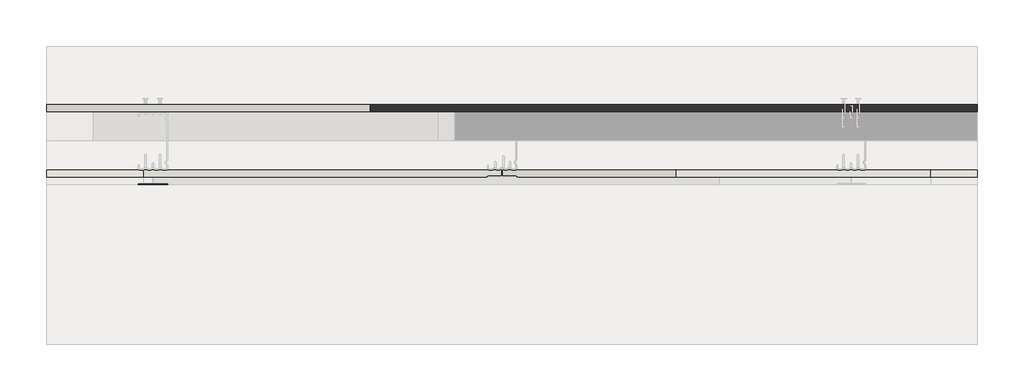
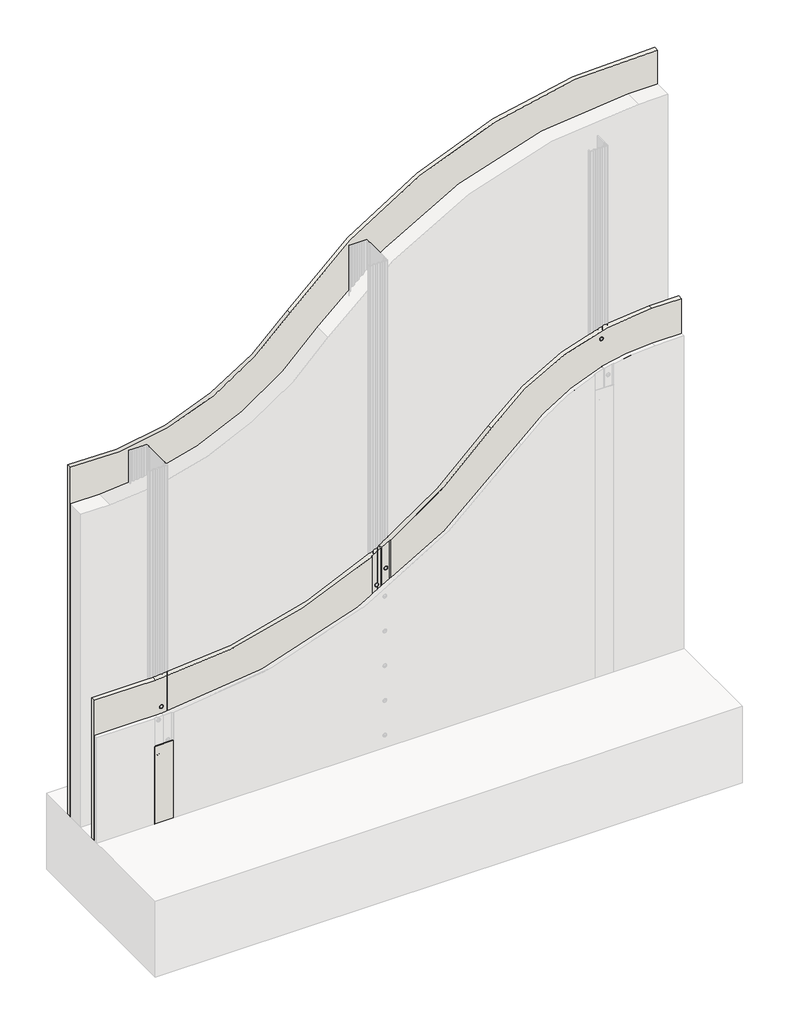
# One storey, part 1 of 3: 3 walls.
"""IFC4 building model written with IfcOpenShell, lengths in millimetres."""

import ifcopenshell
import ifcopenshell.guid

model = None  # the IFC model being written
_history = None  # IfcOwnerHistory: only IFC2X3 demands one
_inside = {}  # id of a spatial element -> (the spatial element, [elements in it])
_under = {}  # id of a project, library or spatial element -> (it, [spatial elements below it])
_declared = {}  # id of a project -> (the project, [libraries it declares])
_typed = {}  # id of a type object -> (the type object, [elements of that type])
_made_of = {}  # id of a material, layer set ... -> (it, [elements and type objects made of it])


def new_model(schema):
    """Start an empty IFC model of exactly this schema.

    Asked for "IFC4X3", IfcOpenShell would pick the latest addendum, in which some entities
    have other attributes; the version numbers below select the first issue.
    IFC2X3 requires an IfcOwnerHistory on every rooted entity: one is made here for all.
    """
    global model, _history
    if schema == "IFC4X3":
        model = ifcopenshell.file(schema_version=(4, 3, 0, 0))
    else:
        model = ifcopenshell.file(schema=schema)
    _inside.clear()
    _under.clear()
    _declared.clear()
    _typed.clear()
    _made_of.clear()
    _history = None
    if model.schema == "IFC2X3":
        org = make("IfcOrganization", Name="unknown")
        user = make(
            "IfcPersonAndOrganization",
            ThePerson=make("IfcPerson", FamilyName="unknown"),
            TheOrganization=org,
        )
        app = make(
            "IfcApplication",
            ApplicationDeveloper=org,
            Version="unknown",
            ApplicationFullName="unknown",
            ApplicationIdentifier="unknown",
        )
        _history = make(
            "IfcOwnerHistory",
            OwningUser=user,
            OwningApplication=app,
            ChangeAction="ADDED",
            CreationDate=0,
        )
    return model


def make(cls, **values):
    """One entity of the class cls with the attributes given. An attribute that is None is left unset."""
    return model.create_entity(
        cls, **{name: value for name, value in values.items() if value is not None}
    )


def rooted(cls, **values):
    """An entity with a GlobalId (a new one), such as an element, a storey or a relation."""
    return make(cls, GlobalId=ifcopenshell.guid.new(), OwnerHistory=_history, **values)


def si_unit(unit_type, name, prefix=None):
    """IfcSIUnit, for example si_unit("LENGTHUNIT", "METRE", prefix="MILLI")."""
    return make("IfcSIUnit", UnitType=unit_type, Prefix=prefix, Name=name)


def assignment(units):
    """IfcUnitAssignment: the units of a project."""
    return None if units is None else make("IfcUnitAssignment", Units=units)


def point(xyz):
    """IfcCartesianPoint."""
    return None if xyz is None else make("IfcCartesianPoint", Coordinates=xyz)


def direction(xyz):
    """IfcDirection."""
    return None if xyz is None else make("IfcDirection", DirectionRatios=xyz)


def frame(location, z_axis=None, x_axis=None):
    """IfcAxis2Placement3D, a coordinate frame: its origin and axes. An axis left out is left unset."""
    return make(
        "IfcAxis2Placement3D",
        Location=point(location),
        Axis=direction(z_axis),
        RefDirection=direction(x_axis),
    )


def frame_2d(location, x_axis=None):
    """IfcAxis2Placement2D, a coordinate frame in the plane: its origin and x axis."""
    return make(
        "IfcAxis2Placement2D", Location=point(location), RefDirection=direction(x_axis)
    )


def origin():
    """The frame at (0, 0, 0) with its axes left unset."""
    return frame((0.0, 0.0, 0.0))


def origin_with_axes():
    """The frame at (0, 0, 0) with the z axis (0, 0, 1) and the x axis (1, 0, 0) written out."""
    return frame((0.0, 0.0, 0.0), z_axis=(0.0, 0.0, 1.0), x_axis=(1.0, 0.0, 0.0))


def place(relative_to, where):
    """IfcLocalPlacement: puts the frame where relative to a parent placement (None: the world)."""
    return make(
        "IfcLocalPlacement", PlacementRelTo=relative_to, RelativePlacement=where
    )


def context(
    kind, dimensions, precision=None, world=None, true_north=None, identifier=None
):
    """IfcGeometricRepresentationContext, for example the 3D "Model" context."""
    return make(
        "IfcGeometricRepresentationContext",
        ContextIdentifier=identifier,
        ContextType=kind,
        CoordinateSpaceDimension=dimensions,
        Precision=precision,
        WorldCoordinateSystem=world,
        TrueNorth=true_north,
    )


def project(units=None, contexts=None):
    """IfcProject with its units and contexts."""
    return rooted(
        "IfcProject",
        Name="project",
        RepresentationContexts=contexts,
        UnitsInContext=assignment(units),
    )


def spatial(cls, under=None, at=None, **own):
    """A site, building, storey or space (cls), placed at a placement, below another one or the project."""
    s = rooted(cls, ObjectPlacement=at, **own)
    if under is not None:
        _under.setdefault(under.id(), (under, []))[1].append(s)
    return s


def polyline(points):
    """IfcPolyline through the points."""
    return make("IfcPolyline", Points=[point(p) for p in points])


def circle_curve(where, radius):
    """IfcCircle in the frame where."""
    return make("IfcCircle", Position=where, Radius=radius)


def ellipse_curve(where, semi_axis1, semi_axis2):
    """IfcEllipse in the frame where."""
    return make(
        "IfcEllipse", Position=where, SemiAxis1=semi_axis1, SemiAxis2=semi_axis2
    )


def trimmed(basis, trim1, trim2, sense, master):
    """IfcTrimmedCurve: the piece of a basis curve between two trims."""
    return make(
        "IfcTrimmedCurve",
        BasisCurve=basis,
        Trim1=trim1,
        Trim2=trim2,
        SenseAgreement=sense,
        MasterRepresentation=master,
    )


def segment(curve, same_sense, transition):
    """IfcCompositeCurveSegment."""
    return make(
        "IfcCompositeCurveSegment",
        Transition=transition,
        SameSense=same_sense,
        ParentCurve=curve,
    )


def composite_curve(segments, self_intersect=None):
    """IfcCompositeCurve: segments joined end to end."""
    return make("IfcCompositeCurve", Segments=segments, SelfIntersect=self_intersect)


def outline(outer, holes=None, kind="AREA"):
    """IfcArbitraryClosedProfileDef: a profile drawn as a closed curve; with holes, ...WithVoids."""
    if holes is None:
        return make("IfcArbitraryClosedProfileDef", ProfileType=kind, OuterCurve=outer)
    return make(
        "IfcArbitraryProfileDefWithVoids",
        ProfileType=kind,
        OuterCurve=outer,
        InnerCurves=holes,
    )


def extrude(swept, where, along, depth):
    """IfcExtrudedAreaSolid: the profile swept, set in the frame where, extruded along a direction by depth."""
    return make(
        "IfcExtrudedAreaSolid",
        SweptArea=swept,
        Position=where,
        ExtrudedDirection=direction(along),
        Depth=depth,
    )


def shape(context_of_items, identifier, shape_type, items):
    """IfcShapeRepresentation: the items that make up one representation, for example the "Body"."""
    return make(
        "IfcShapeRepresentation",
        ContextOfItems=context_of_items,
        RepresentationIdentifier=identifier,
        RepresentationType=shape_type,
        Items=items,
    )


def made_of(thing, what):
    """Note that an element or type object is made of a material, layer set ...; save() writes the relation."""
    if what is not None:
        _made_of.setdefault(what.id(), (what, []))[1].append(thing)
    return thing


def element(
    cls,
    number,
    at=None,
    inside=None,
    cuts=None,
    type_object=None,
    material=None,
    context=None,
    identifier="Body",
    shape_type=None,
    held_by="IfcProductDefinitionShape",
    body=None,
    shapes=None,
    **own,
):
    """One element of the class cls, such as IfcWall. Its Tag is "e" and its number.

    at: its placement. inside: the storey or other place that contains it. cuts: it is an
    opening in that element (IfcRelVoidsElement). A single representation is given by context,
    identifier, shape_type and body (its items); several are given by shapes. held_by: the class
    of the entity that holds the representations. save() writes the other relations.
    """
    e = rooted(cls, Tag="e%d" % number, ObjectPlacement=at, **own)
    if body is not None:
        shapes = [shape(context, identifier, shape_type, body)]
    if shapes is not None:
        e.Representation = make(held_by, Representations=shapes)
    if inside is not None:
        _inside.setdefault(inside.id(), (inside, []))[1].append(e)
    if cuts is not None:
        rooted(
            "IfcRelVoidsElement", RelatingBuildingElement=cuts, RelatedOpeningElement=e
        )
    if type_object is not None:
        _typed.setdefault(type_object.id(), (type_object, []))[1].append(e)
    return made_of(e, material)


def aggregate(whole, parts):
    """IfcRelAggregates: a whole, such as a stair, and the parts it consists of."""
    return rooted("IfcRelAggregates", RelatingObject=whole, RelatedObjects=parts)


def save(model, path):
    """Write the relations noted so far, then the file.

    IfcRelAggregates (storeys below a building ...), IfcRelContainedInSpatialStructure (elements
    in a storey), IfcRelDefinesByType, IfcRelAssociatesMaterial and IfcRelDeclares: one each for
    every whole, place, type object, material and project.
    """
    for whole, parts in _under.values():
        aggregate(whole, parts)
    for where, things in _inside.values():
        rooted(
            "IfcRelContainedInSpatialStructure",
            RelatedElements=things,
            RelatingStructure=where,
        )
    for kind, things in _typed.values():
        rooted("IfcRelDefinesByType", RelatedObjects=things, RelatingType=kind)
    for what, things in _made_of.values():
        rooted("IfcRelAssociatesMaterial", RelatedObjects=things, RelatingMaterial=what)
    for by, libraries in _declared.values():
        rooted("IfcRelDeclares", RelatingContext=by, RelatedDefinitions=libraries)
    model.write(path)


def plane_surface(at):
    """IfcPlane: the flat surface through the origin of the frame at, square to its z axis."""
    return make("IfcPlane", Position=at)


def cylinder_surface(at, radius):
    """IfcCylindricalSurface: all points at the distance radius from the z axis of the frame at."""
    return make("IfcCylindricalSurface", Position=at, Radius=radius)


def revolved_surface(curve, axis_point, axis_direction):
    """IfcSurfaceOfRevolution: the curve turned about the line through axis_point along axis_direction."""
    return make(
        "IfcSurfaceOfRevolution",
        SweptCurve=make("IfcArbitraryOpenProfileDef", ProfileType="CURVE", Curve=curve),
        AxisPosition=make("IfcAxis1Placement", Location=point(axis_point), Axis=direction(axis_direction)),
    )


def advanced_brep(points, edges, surfaces, faces):
    """IfcAdvancedBrep: a solid bounded by faces that lie on surfaces and meet in shared edges.

    An edge is (start, end): straight between two places in points (the first is 0);
    or (start, end, curve); or (start, end, curve, False) where it runs against its curve.
    A face is (place in surfaces, loops), or (place, loops, False) where it looks against
    its surface's normal. A loop lists edges by number (the first is 1), with a minus sign
    where the edge is run from its end to its start. The first loop is the outer one.
    """
    corners = [point(p) for p in points]
    vertices = [make("IfcVertexPoint", VertexGeometry=c) for c in corners]
    made = []
    for start, end, *more in edges:
        made.append(
            make(
                "IfcEdgeCurve",
                EdgeStart=vertices[start],
                EdgeEnd=vertices[end],
                EdgeGeometry=more[0] if more else make("IfcPolyline", Points=[corners[start], corners[end]]),
                SameSense=more[1] if len(more) > 1 else True,
            )
        )
    hull = []
    for where, loops, *sense in faces:
        bounds = []
        for j, loop in enumerate(loops):
            ring = [make("IfcOrientedEdge", EdgeElement=made[abs(k) - 1], Orientation=k > 0) for k in loop]
            bounds.append(
                make(
                    "IfcFaceOuterBound" if j == 0 else "IfcFaceBound",
                    Bound=make("IfcEdgeLoop", EdgeList=ring),
                    Orientation=True,
                )
            )
        hull.append(make("IfcAdvancedFace", Bounds=bounds, FaceSurface=surfaces[where], SameSense=sense[0] if sense else True))
    return make("IfcAdvancedBrep", Outer=make("IfcClosedShell", CfsFaces=hull))


model = new_model("IFC4")

# Units and contexts
model_context = context("Model", 3, world=origin())
ifc_project = project(units=[si_unit("LENGTHUNIT", "METRE", prefix="MILLI")], contexts=[model_context])

# Site, building, storey
site = spatial("IfcSite", under=ifc_project)
building = spatial("IfcBuilding", under=site)
storey = spatial("IfcBuildingStorey", under=building, Elevation=0.0)

# Walls
placement = place(None, origin())
element("IfcWall", 1, at=placement, inside=storey, context=model_context, shape_type="SweptSolid", body=[
    extrude(outline(composite_curve([segment(polyline([(0.0, 4291.3841513), (0.0, 5891.3841513), (1647.4250226, 5891.3841513)]), True, "CONTINUOUS"), segment(trimmed(circle_curve(frame_2d((405.9831409, 5811.3841513)), 1244.0168591), [point((1647.4250226, 5891.3841513))], [point((1241.7134162, 4889.9001022))], False, "CARTESIAN"), True, "CONTINUOUS"), segment(trimmed(circle_curve(frame_2d((1680.7940504, 4371.3841513)), 679.4487433), [point((1241.7134162, 4889.9001022))], [point((1006.0714447, 4291.3841513))], True, "CARTESIAN"), True, "CONTINUOUS"), segment(polyline([(1006.0714447, 4291.3841513), (0.0, 4291.3841513)]), True, "CONTINUOUS")], self_intersect=False)), frame((0.0, 494.643389, 0.0), z_axis=(0.0, 1.0, 0.0), x_axis=(0.0, 0.0, 1.0)), (0.0, 0.0, 1.0), 12.5),
])
element("IfcWall", 2, at=placement, inside=storey, context=model_context, shape_type="AdvancedBrep", body=[
    advanced_brep(
    [(5891.3841513, 382.143389, 0.0), (5891.3841513, 382.143389, 1000.0), (5811.3841513, 382.143389, 1000.0), (5373.6769272, 382.143389, 807.5655296), (5100.3099298, 382.143389, 582.4392036), (5100.3099298, 382.143389, 0.0), (5668.8841513, 382.143389, 960.3704392), (5678.8841513, 382.143389, 960.3704392), (5668.8841513, 382.143389, 860.3704392), (5678.8841513, 382.143389, 860.3704392), (5668.8841513, 382.143389, 760.3704392), (5678.8841513, 382.143389, 760.3704392), (5668.8841513, 382.143389, 660.3704392), (5678.8841513, 382.143389, 660.3704392), (5668.8841513, 382.143389, 560.3704392), (5678.8841513, 382.143389, 560.3704392), (5668.8841513, 382.143389, 460.3704392), (5678.8841513, 382.143389, 460.3704392), (5668.8841513, 382.143389, 360.3704392), (5678.8841513, 382.143389, 360.3704392), (5668.8841513, 382.143389, 260.3704392), (5678.8841513, 382.143389, 260.3704392), (5668.8841513, 382.143389, 160.3704392), (5678.8841513, 382.143389, 160.3704392), (5668.8841513, 382.143389, 60.3704392), (5678.8841513, 382.143389, 60.3704392), (5891.3841513, 394.643389, 1000.0), (5891.3841513, 394.643389, 0.0), (5075.3099298, 394.643389, 0.0), (5075.3099298, 394.643389, 567.6720871), (5373.6769272, 394.643389, 807.5655296), (5811.3841513, 394.643389, 1000.0), (5675.4756328, 394.643389, 960.3704392), (5672.2926697, 394.643389, 960.3704392), (5675.4756328, 394.643389, 860.3704392), (5672.2926697, 394.643389, 860.3704392), (5675.4756328, 394.643389, 760.3704392), (5672.2926697, 394.643389, 760.3704392), (5675.4756328, 394.643389, 660.3704392), (5672.2926697, 394.643389, 660.3704392), (5675.4756328, 394.643389, 560.3704392), (5672.2926697, 394.643389, 560.3704392), (5675.4756328, 394.643389, 460.3704392), (5672.2926697, 394.643389, 460.3704392), (5675.4756328, 394.643389, 360.3704392), (5672.2926697, 394.643389, 360.3704392), (5675.4756328, 394.643389, 260.3704392), (5672.2926697, 394.643389, 260.3704392), (5675.4756328, 394.643389, 160.3704392), (5672.2926697, 394.643389, 160.3704392), (5675.4756328, 394.643389, 60.3704392), (5672.2926697, 394.643389, 60.3704392), (5086.174229, 394.643389, 504.1645331), (5089.4854041, 394.643389, 504.1645331), (5100.3099298, 383.143389, 0.0), (5097.154, 384.643389, 0.0), (5075.3099298, 384.643389, 0.0), (5075.3099298, 384.643389, 567.6720871), (5097.154, 384.643389, 580.5311564), (5100.3099298, 383.143389, 582.4392036), (5092.8298166, 384.643389, 504.1645331), (5082.8298166, 384.643389, 504.1645331), (5672.0185432, 383.9530311, 960.3704392), (5675.7497593, 383.9530311, 960.3704392), (5672.0185432, 383.9530311, 860.3704392), (5675.7497593, 383.9530311, 860.3704392), (5672.0185432, 383.9530311, 760.3704392), (5675.7497593, 383.9530311, 760.3704392), (5672.0185432, 383.9530311, 660.3704392), (5675.7497593, 383.9530311, 660.3704392), (5672.0185432, 383.9530311, 560.3704392), (5675.7497593, 383.9530311, 560.3704392), (5672.0185432, 383.9530311, 460.3704392), (5675.7497593, 383.9530311, 460.3704392), (5672.0185432, 383.9530311, 360.3704392), (5675.7497593, 383.9530311, 360.3704392), (5672.0185432, 383.9530311, 260.3704392), (5675.7497593, 383.9530311, 260.3704392), (5672.0185432, 383.9530311, 160.3704392), (5675.7497593, 383.9530311, 160.3704392), (5672.0185432, 383.9530311, 60.3704392), (5675.7497593, 383.9530311, 60.3704392), (5089.6954246, 386.4530311, 504.1645331), (5085.9642085, 386.4530311, 504.1645331)],
    [
        (0, 1),
        (1, 2),
        (2, 3, circle_curve(frame((5811.3841513, 382.143389, 405.9831409), z_axis=(0.0, -1.0, 0.0), x_axis=(-1.0, 0.0, 0.0)), 594.0168591)),
        (3, 4, circle_curve(frame((4458.7775955, 382.143389, 1639.9763701), z_axis=(0.0, 1.0, 0.0), x_axis=(-1.0, 0.0, 0.0)), 1236.9109081)),
        (4, 5),
        (5, 0),
        (6, 7, circle_curve(frame((5673.8841513, 382.143389, 960.3704392), z_axis=(0.0, 1.0, 0.0), x_axis=(1.0, 0.0, 0.0)), 5.0)),
        (7, 6, circle_curve(frame((5673.8841513, 382.143389, 960.3704392), z_axis=(0.0, 1.0, 0.0), x_axis=(1.0, 0.0, 0.0)), 5.0)),
        (8, 9, circle_curve(frame((5673.8841513, 382.143389, 860.3704392), z_axis=(0.0, 1.0, 0.0), x_axis=(1.0, 0.0, 0.0)), 5.0)),
        (9, 8, circle_curve(frame((5673.8841513, 382.143389, 860.3704392), z_axis=(0.0, 1.0, 0.0), x_axis=(1.0, 0.0, 0.0)), 5.0)),
        (10, 11, circle_curve(frame((5673.8841513, 382.143389, 760.3704392), z_axis=(0.0, 1.0, 0.0), x_axis=(1.0, 0.0, 0.0)), 5.0)),
        (11, 10, circle_curve(frame((5673.8841513, 382.143389, 760.3704392), z_axis=(0.0, 1.0, 0.0), x_axis=(1.0, 0.0, 0.0)), 5.0)),
        (12, 13, circle_curve(frame((5673.8841513, 382.143389, 660.3704392), z_axis=(0.0, 1.0, 0.0), x_axis=(1.0, 0.0, 0.0)), 5.0)),
        (13, 12, circle_curve(frame((5673.8841513, 382.143389, 660.3704392), z_axis=(0.0, 1.0, 0.0), x_axis=(1.0, 0.0, 0.0)), 5.0)),
        (14, 15, circle_curve(frame((5673.8841513, 382.143389, 560.3704392), z_axis=(0.0, 1.0, 0.0), x_axis=(1.0, 0.0, 0.0)), 5.0)),
        (15, 14, circle_curve(frame((5673.8841513, 382.143389, 560.3704392), z_axis=(0.0, 1.0, 0.0), x_axis=(1.0, 0.0, 0.0)), 5.0)),
        (16, 17, circle_curve(frame((5673.8841513, 382.143389, 460.3704392), z_axis=(0.0, 1.0, 0.0), x_axis=(1.0, 0.0, 0.0)), 5.0)),
        (17, 16, circle_curve(frame((5673.8841513, 382.143389, 460.3704392), z_axis=(0.0, 1.0, 0.0), x_axis=(1.0, 0.0, 0.0)), 5.0)),
        (18, 19, circle_curve(frame((5673.8841513, 382.143389, 360.3704392), z_axis=(0.0, 1.0, 0.0), x_axis=(1.0, 0.0, 0.0)), 5.0)),
        (19, 18, circle_curve(frame((5673.8841513, 382.143389, 360.3704392), z_axis=(0.0, 1.0, 0.0), x_axis=(1.0, 0.0, 0.0)), 5.0)),
        (20, 21, circle_curve(frame((5673.8841513, 382.143389, 260.3704392), z_axis=(0.0, 1.0, 0.0), x_axis=(1.0, 0.0, 0.0)), 5.0)),
        (21, 20, circle_curve(frame((5673.8841513, 382.143389, 260.3704392), z_axis=(0.0, 1.0, 0.0), x_axis=(1.0, 0.0, 0.0)), 5.0)),
        (22, 23, circle_curve(frame((5673.8841513, 382.143389, 160.3704392), z_axis=(0.0, 1.0, 0.0), x_axis=(1.0, 0.0, 0.0)), 5.0)),
        (23, 22, circle_curve(frame((5673.8841513, 382.143389, 160.3704392), z_axis=(0.0, 1.0, 0.0), x_axis=(1.0, 0.0, 0.0)), 5.0)),
        (24, 25, circle_curve(frame((5673.8841513, 382.143389, 60.3704392), z_axis=(0.0, 1.0, 0.0), x_axis=(1.0, 0.0, 0.0)), 5.0)),
        (25, 24, circle_curve(frame((5673.8841513, 382.143389, 60.3704392), z_axis=(0.0, 1.0, 0.0), x_axis=(1.0, 0.0, 0.0)), 5.0)),
        (26, 27),
        (27, 28),
        (28, 29),
        (29, 30, circle_curve(frame((4458.7775955, 394.643389, 1639.9763701), z_axis=(0.0, -1.0, 0.0), x_axis=(-1.0, 0.0, 0.0)), 1236.9109081)),
        (30, 31, circle_curve(frame((5811.3841513, 394.643389, 405.9831409), z_axis=(0.0, 1.0, 0.0), x_axis=(-1.0, 0.0, 0.0)), 594.0168591)),
        (31, 26),
        (32, 33, circle_curve(frame((5673.8841513, 394.643389, 960.3704392), z_axis=(0.0, -1.0, 0.0), x_axis=(1.0, 0.0, 0.0)), 1.5914815)),
        (33, 32, circle_curve(frame((5673.8841513, 394.643389, 960.3704392), z_axis=(0.0, -1.0, 0.0), x_axis=(1.0, 0.0, 0.0)), 1.5914815)),
        (34, 35, circle_curve(frame((5673.8841513, 394.643389, 860.3704392), z_axis=(0.0, -1.0, 0.0), x_axis=(1.0, 0.0, 0.0)), 1.5914815)),
        (35, 34, circle_curve(frame((5673.8841513, 394.643389, 860.3704392), z_axis=(0.0, -1.0, 0.0), x_axis=(1.0, 0.0, 0.0)), 1.5914815)),
        (36, 37, circle_curve(frame((5673.8841513, 394.643389, 760.3704392), z_axis=(0.0, -1.0, 0.0), x_axis=(1.0, 0.0, 0.0)), 1.5914815)),
        (37, 36, circle_curve(frame((5673.8841513, 394.643389, 760.3704392), z_axis=(0.0, -1.0, 0.0), x_axis=(1.0, 0.0, 0.0)), 1.5914815)),
        (38, 39, circle_curve(frame((5673.8841513, 394.643389, 660.3704392), z_axis=(0.0, -1.0, 0.0), x_axis=(1.0, 0.0, 0.0)), 1.5914815)),
        (39, 38, circle_curve(frame((5673.8841513, 394.643389, 660.3704392), z_axis=(0.0, -1.0, 0.0), x_axis=(1.0, 0.0, 0.0)), 1.5914815)),
        (40, 41, circle_curve(frame((5673.8841513, 394.643389, 560.3704392), z_axis=(0.0, -1.0, 0.0), x_axis=(1.0, 0.0, 0.0)), 1.5914815)),
        (41, 40, circle_curve(frame((5673.8841513, 394.643389, 560.3704392), z_axis=(0.0, -1.0, 0.0), x_axis=(1.0, 0.0, 0.0)), 1.5914815)),
        (42, 43, circle_curve(frame((5673.8841513, 394.643389, 460.3704392), z_axis=(0.0, -1.0, 0.0), x_axis=(1.0, 0.0, 0.0)), 1.5914815)),
        (43, 42, circle_curve(frame((5673.8841513, 394.643389, 460.3704392), z_axis=(0.0, -1.0, 0.0), x_axis=(1.0, 0.0, 0.0)), 1.5914815)),
        (44, 45, circle_curve(frame((5673.8841513, 394.643389, 360.3704392), z_axis=(0.0, -1.0, 0.0), x_axis=(1.0, 0.0, 0.0)), 1.5914815)),
        (45, 44, circle_curve(frame((5673.8841513, 394.643389, 360.3704392), z_axis=(0.0, -1.0, 0.0), x_axis=(1.0, 0.0, 0.0)), 1.5914815)),
        (46, 47, circle_curve(frame((5673.8841513, 394.643389, 260.3704392), z_axis=(0.0, -1.0, 0.0), x_axis=(1.0, 0.0, 0.0)), 1.5914815)),
        (47, 46, circle_curve(frame((5673.8841513, 394.643389, 260.3704392), z_axis=(0.0, -1.0, 0.0), x_axis=(1.0, 0.0, 0.0)), 1.5914815)),
        (48, 49, circle_curve(frame((5673.8841513, 394.643389, 160.3704392), z_axis=(0.0, -1.0, 0.0), x_axis=(1.0, 0.0, 0.0)), 1.5914815)),
        (49, 48, circle_curve(frame((5673.8841513, 394.643389, 160.3704392), z_axis=(0.0, -1.0, 0.0), x_axis=(1.0, 0.0, 0.0)), 1.5914815)),
        (50, 51, circle_curve(frame((5673.8841513, 394.643389, 60.3704392), z_axis=(0.0, -1.0, 0.0), x_axis=(1.0, 0.0, 0.0)), 1.5914815)),
        (51, 50, circle_curve(frame((5673.8841513, 394.643389, 60.3704392), z_axis=(0.0, -1.0, 0.0), x_axis=(1.0, 0.0, 0.0)), 1.5914815)),
        (52, 53, circle_curve(frame((5087.8298166, 394.643389, 504.1645331), z_axis=(0.0, -1.0, 0.0), x_axis=(-1.0, 0.0, 0.0)), 1.6555876)),
        (53, 52, circle_curve(frame((5087.8298166, 394.643389, 504.1645331), z_axis=(0.0, -1.0, 0.0), x_axis=(-1.0, 0.0, 0.0)), 1.6555876)),
        (27, 0),
        (5, 54),
        (54, 55),
        (55, 56),
        (56, 28),
        (26, 1),
        (31, 2),
        (30, 3),
        (29, 57),
        (57, 58, circle_curve(frame((4458.7775955, 384.643389, 1639.9763701), z_axis=(0.0, -1.0, 0.0), x_axis=(-1.0, 0.0, 0.0)), 1236.9109081)),
        (58, 59, ellipse_curve(frame((4458.7775955, 688.0609743, 1639.9763701), z_axis=(-0.42927473522914233, -0.9031739598183451, 0.0), x_axis=(-0.903173959818345, 0.42927473522914233, 0.0)), 1369.5156893, 1236.9109081)),
        (59, 4),
        (59, 54),
        (58, 55),
        (57, 56),
        (60, 61, circle_curve(frame((5087.8298166, 384.643389, 504.1645331), z_axis=(0.0, 1.0, 0.0), x_axis=(-1.0, 0.0, 0.0)), 5.0)),
        (61, 60, circle_curve(frame((5087.8298166, 384.643389, 504.1645331), z_axis=(0.0, 1.0, 0.0), x_axis=(-1.0, 0.0, 0.0)), 5.0)),
        (6, 62),
        (62, 63, circle_curve(frame((5673.8841513, 383.9530311, 960.3704392), z_axis=(0.0, 1.0, 0.0), x_axis=(1.0, 0.0, 0.0)), 1.865608)),
        (63, 7),
        (63, 62, circle_curve(frame((5673.8841513, 383.9530311, 960.3704392), z_axis=(0.0, 1.0, 0.0), x_axis=(1.0, 0.0, 0.0)), 1.865608)),
        (62, 33),
        (32, 63),
        (8, 64),
        (64, 65, circle_curve(frame((5673.8841513, 383.9530311, 860.3704392), z_axis=(0.0, 1.0, 0.0), x_axis=(1.0, 0.0, 0.0)), 1.865608)),
        (65, 9),
        (65, 64, circle_curve(frame((5673.8841513, 383.9530311, 860.3704392), z_axis=(0.0, 1.0, 0.0), x_axis=(1.0, 0.0, 0.0)), 1.865608)),
        (64, 35),
        (34, 65),
        (10, 66),
        (66, 67, circle_curve(frame((5673.8841513, 383.9530311, 760.3704392), z_axis=(0.0, 1.0, 0.0), x_axis=(1.0, 0.0, 0.0)), 1.865608)),
        (67, 11),
        (67, 66, circle_curve(frame((5673.8841513, 383.9530311, 760.3704392), z_axis=(0.0, 1.0, 0.0), x_axis=(1.0, 0.0, 0.0)), 1.865608)),
        (66, 37),
        (36, 67),
        (12, 68),
        (68, 69, circle_curve(frame((5673.8841513, 383.9530311, 660.3704392), z_axis=(0.0, 1.0, 0.0), x_axis=(1.0, 0.0, 0.0)), 1.865608)),
        (69, 13),
        (69, 68, circle_curve(frame((5673.8841513, 383.9530311, 660.3704392), z_axis=(0.0, 1.0, 0.0), x_axis=(1.0, 0.0, 0.0)), 1.865608)),
        (68, 39),
        (38, 69),
        (14, 70),
        (70, 71, circle_curve(frame((5673.8841513, 383.9530311, 560.3704392), z_axis=(0.0, 1.0, 0.0), x_axis=(1.0, 0.0, 0.0)), 1.865608)),
        (71, 15),
        (71, 70, circle_curve(frame((5673.8841513, 383.9530311, 560.3704392), z_axis=(0.0, 1.0, 0.0), x_axis=(1.0, 0.0, 0.0)), 1.865608)),
        (70, 41),
        (40, 71),
        (16, 72),
        (72, 73, circle_curve(frame((5673.8841513, 383.9530311, 460.3704392), z_axis=(0.0, 1.0, 0.0), x_axis=(1.0, 0.0, 0.0)), 1.865608)),
        (73, 17),
        (73, 72, circle_curve(frame((5673.8841513, 383.9530311, 460.3704392), z_axis=(0.0, 1.0, 0.0), x_axis=(1.0, 0.0, 0.0)), 1.865608)),
        (72, 43),
        (42, 73),
        (18, 74),
        (74, 75, circle_curve(frame((5673.8841513, 383.9530311, 360.3704392), z_axis=(0.0, 1.0, 0.0), x_axis=(1.0, 0.0, 0.0)), 1.865608)),
        (75, 19),
        (75, 74, circle_curve(frame((5673.8841513, 383.9530311, 360.3704392), z_axis=(0.0, 1.0, 0.0), x_axis=(1.0, 0.0, 0.0)), 1.865608)),
        (74, 45),
        (44, 75),
        (20, 76),
        (76, 77, circle_curve(frame((5673.8841513, 383.9530311, 260.3704392), z_axis=(0.0, 1.0, 0.0), x_axis=(1.0, 0.0, 0.0)), 1.865608)),
        (77, 21),
        (77, 76, circle_curve(frame((5673.8841513, 383.9530311, 260.3704392), z_axis=(0.0, 1.0, 0.0), x_axis=(1.0, 0.0, 0.0)), 1.865608)),
        (76, 47),
        (46, 77),
        (22, 78),
        (78, 79, circle_curve(frame((5673.8841513, 383.9530311, 160.3704392), z_axis=(0.0, 1.0, 0.0), x_axis=(1.0, 0.0, 0.0)), 1.865608)),
        (79, 23),
        (79, 78, circle_curve(frame((5673.8841513, 383.9530311, 160.3704392), z_axis=(0.0, 1.0, 0.0), x_axis=(1.0, 0.0, 0.0)), 1.865608)),
        (78, 49),
        (48, 79),
        (24, 80),
        (80, 81, circle_curve(frame((5673.8841513, 383.9530311, 60.3704392), z_axis=(0.0, 1.0, 0.0), x_axis=(1.0, 0.0, 0.0)), 1.865608)),
        (81, 25),
        (81, 80, circle_curve(frame((5673.8841513, 383.9530311, 60.3704392), z_axis=(0.0, 1.0, 0.0), x_axis=(1.0, 0.0, 0.0)), 1.865608)),
        (80, 51),
        (50, 81),
        (60, 82),
        (82, 83, circle_curve(frame((5087.8298166, 386.4530311, 504.1645331), z_axis=(0.0, 1.0, 0.0), x_axis=(-1.0, 0.0, 0.0)), 1.865608)),
        (83, 61),
        (83, 82, circle_curve(frame((5087.8298166, 386.4530311, 504.1645331), z_axis=(0.0, 1.0, 0.0), x_axis=(-1.0, 0.0, 0.0)), 1.865608)),
        (82, 53),
        (52, 83),
    ],
    [
        plane_surface(frame((4291.3841513, 382.143389, 0.0), z_axis=(0.0, -1.0, 0.0), x_axis=(1.0, 0.0, 0.0))),
        plane_surface(frame((4291.3841513, 394.643389, 0.0), z_axis=(0.0, 1.0, 0.0), x_axis=(-1.0, 0.0, 0.0))),
        plane_surface(frame((4291.3841513, 382.143389, 0.0), z_axis=(0.0, 0.0, -1.0), x_axis=(0.0, 1.0, 0.0))),
        plane_surface(frame((5891.3841513, 382.143389, 0.0), z_axis=(1.0, 0.0, 0.0), x_axis=(0.0, 1.0, 0.0))),
        plane_surface(frame((5891.3841513, 382.143389, 1000.0), z_axis=(0.0, 0.0, 1.0), x_axis=(0.0, 1.0, 0.0))),
        cylinder_surface(frame((5811.3841513, 394.643389, 405.9831409), z_axis=(0.0, -1.0, 0.0), x_axis=(-1.0, 0.0, 0.0)), 594.0168591),
        revolved_surface(polyline([(3221.8666874, 1275.959459216414, 1639.9763701), (3221.8666874, 100.16248938358615, 1639.9763701)]), (4458.7775955, 394.643389, 1639.9763701), (0.0, 1.0, 0.0)),
        plane_surface(frame((5100.3099298, 382.143389, 1000.0), z_axis=(-1.0, 0.0, 0.0), x_axis=(0.0, 0.0, -1.0))),
        plane_surface(frame((5100.3099298, 383.143389, 1000.0), z_axis=(-0.42927473522914233, -0.9031739598183451, 0.0), x_axis=(0.0, 0.0, -1.0))),
        plane_surface(frame((5097.154, 384.643389, 1000.0), z_axis=(0.0, -1.0, 0.0), x_axis=(0.0, 0.0, -1.0))),
        plane_surface(frame((5075.3099298, 384.643389, 1000.0), z_axis=(-1.0, 0.0, 0.0), x_axis=(0.0, 0.0, -1.0))),
        revolved_surface(polyline([(5678.8841513, 382.143389, 960.3704392), (5675.7497593, 383.9530311, 960.3704392)]), (5673.8841513, 1382.143389, 960.3704392), (0.0, -1.0, 0.0)),
        revolved_surface(polyline([(5675.7497593, 383.9530311, 960.3704392), (5675.1894783, 405.8028125, 960.3704392)]), (5673.8841513, 1382.143389, 960.3704392), (0.0, -1.0, 0.0)),
        revolved_surface(polyline([(5678.8841513, 382.143389, 860.3704392), (5675.7497593, 383.9530311, 860.3704392)]), (5673.8841513, 1382.143389, 860.3704392), (0.0, -1.0, 0.0)),
        revolved_surface(polyline([(5675.7497593, 383.9530311, 860.3704392), (5675.1894783, 405.8028125, 860.3704392)]), (5673.8841513, 1382.143389, 860.3704392), (0.0, -1.0, 0.0)),
        revolved_surface(polyline([(5678.8841513, 382.143389, 760.3704392), (5675.7497593, 383.9530311, 760.3704392)]), (5673.8841513, 1382.143389, 760.3704392), (0.0, -1.0, 0.0)),
        revolved_surface(polyline([(5675.7497593, 383.9530311, 760.3704392), (5675.1894783, 405.8028125, 760.3704392)]), (5673.8841513, 1382.143389, 760.3704392), (0.0, -1.0, 0.0)),
        revolved_surface(polyline([(5678.8841513, 382.143389, 660.3704392), (5675.7497593, 383.9530311, 660.3704392)]), (5673.8841513, 1382.143389, 660.3704392), (0.0, -1.0, 0.0)),
        revolved_surface(polyline([(5675.7497593, 383.9530311, 660.3704392), (5675.1894783, 405.8028125, 660.3704392)]), (5673.8841513, 1382.143389, 660.3704392), (0.0, -1.0, 0.0)),
        revolved_surface(polyline([(5678.8841513, 382.143389, 560.3704392), (5675.7497593, 383.9530311, 560.3704392)]), (5673.8841513, 1382.143389, 560.3704392), (0.0, -1.0, 0.0)),
        revolved_surface(polyline([(5675.7497593, 383.9530311, 560.3704392), (5675.1894783, 405.8028125, 560.3704392)]), (5673.8841513, 1382.143389, 560.3704392), (0.0, -1.0, 0.0)),
        revolved_surface(polyline([(5678.8841513, 382.143389, 460.3704392), (5675.7497593, 383.9530311, 460.3704392)]), (5673.8841513, 1382.143389, 460.3704392), (0.0, -1.0, 0.0)),
        revolved_surface(polyline([(5675.7497593, 383.9530311, 460.3704392), (5675.1894783, 405.8028125, 460.3704392)]), (5673.8841513, 1382.143389, 460.3704392), (0.0, -1.0, 0.0)),
        revolved_surface(polyline([(5678.8841513, 382.143389, 360.3704392), (5675.7497593, 383.9530311, 360.3704392)]), (5673.8841513, 1382.143389, 360.3704392), (0.0, -1.0, 0.0)),
        revolved_surface(polyline([(5675.7497593, 383.9530311, 360.3704392), (5675.1894783, 405.8028125, 360.3704392)]), (5673.8841513, 1382.143389, 360.3704392), (0.0, -1.0, 0.0)),
        revolved_surface(polyline([(5678.8841513, 382.143389, 260.3704392), (5675.7497593, 383.9530311, 260.3704392)]), (5673.8841513, 1382.143389, 260.3704392), (0.0, -1.0, 0.0)),
        revolved_surface(polyline([(5675.7497593, 383.9530311, 260.3704392), (5675.1894783, 405.8028125, 260.3704392)]), (5673.8841513, 1382.143389, 260.3704392), (0.0, -1.0, 0.0)),
        revolved_surface(polyline([(5678.8841513, 382.143389, 160.3704392), (5675.7497593, 383.9530311, 160.3704392)]), (5673.8841513, 1382.143389, 160.3704392), (0.0, -1.0, 0.0)),
        revolved_surface(polyline([(5675.7497593, 383.9530311, 160.3704392), (5675.1894783, 405.8028125, 160.3704392)]), (5673.8841513, 1382.143389, 160.3704392), (0.0, -1.0, 0.0)),
        revolved_surface(polyline([(5678.8841513, 382.143389, 60.3704392), (5675.7497593, 383.9530311, 60.3704392)]), (5673.8841513, 1382.143389, 60.3704392), (0.0, -1.0, 0.0)),
        revolved_surface(polyline([(5675.7497593, 383.9530311, 60.3704392), (5675.1894783, 405.8028125, 60.3704392)]), (5673.8841513, 1382.143389, 60.3704392), (0.0, -1.0, 0.0)),
        revolved_surface(polyline([(5082.8298166, 384.643389, 504.1645331), (5085.9642085, 386.4530311, 504.1645331)]), (5087.8298166, 1384.643389, 504.1645331), (0.0, -1.0, 0.0)),
        revolved_surface(polyline([(5085.9642085, 386.4530311, 504.1645331), (5086.5244895, 408.3028125, 504.1645331)]), (5087.8298166, 1384.643389, 504.1645331), (0.0, -1.0, 0.0)),
    ],
    [
        (0, [[1, 2, 3, 4, 5, 6], [7, 8], [9, 10], [11, 12], [13, 14], [15, 16], [17, 18], [19, 20], [21, 22], [23, 24], [25, 26]]),
        (1, [[27, 28, 29, 30, 31, 32], [33, 34], [35, 36], [37, 38], [39, 40], [41, 42], [43, 44], [45, 46], [47, 48], [49, 50], [51, 52], [53, 54]]),
        (2, [[55, -6, 56, 57, 58, 59, -28]]),
        (3, [[-1, -55, -27, 60]]),
        (4, [[-2, -60, -32, 61]]),
        (5, [[-3, -61, -31, 62]]),
        (6, [[-62, -30, 63, 64, 65, 66, -4]]),
        (7, [[-5, -66, 67, -56]]),
        (8, [[-67, -65, 68, -57]]),
        (9, [[-68, -64, 69, -58], [70, 71]]),
        (10, [[-29, -59, -69, -63]]),
        (11, [[72, 73, 74, -7]]),
        (11, [[-72, -8, -74, 75]]),
        (12, [[-73, 76, -33, 77]]),
        (12, [[-75, -77, -34, -76]]),
        (13, [[78, 79, 80, -9]]),
        (13, [[-78, -10, -80, 81]]),
        (14, [[-79, 82, -35, 83]]),
        (14, [[-81, -83, -36, -82]]),
        (15, [[84, 85, 86, -11]]),
        (15, [[-84, -12, -86, 87]]),
        (16, [[-85, 88, -37, 89]]),
        (16, [[-87, -89, -38, -88]]),
        (17, [[90, 91, 92, -13]]),
        (17, [[-90, -14, -92, 93]]),
        (18, [[-91, 94, -39, 95]]),
        (18, [[-93, -95, -40, -94]]),
        (19, [[96, 97, 98, -15]]),
        (19, [[-96, -16, -98, 99]]),
        (20, [[-97, 100, -41, 101]]),
        (20, [[-99, -101, -42, -100]]),
        (21, [[102, 103, 104, -17]]),
        (21, [[-102, -18, -104, 105]]),
        (22, [[-103, 106, -43, 107]]),
        (22, [[-105, -107, -44, -106]]),
        (23, [[108, 109, 110, -19]]),
        (23, [[-108, -20, -110, 111]]),
        (24, [[-109, 112, -45, 113]]),
        (24, [[-111, -113, -46, -112]]),
        (25, [[114, 115, 116, -21]]),
        (25, [[-114, -22, -116, 117]]),
        (26, [[-115, 118, -47, 119]]),
        (26, [[-117, -119, -48, -118]]),
        (27, [[120, 121, 122, -23]]),
        (27, [[-120, -24, -122, 123]]),
        (28, [[-121, 124, -49, 125]]),
        (28, [[-123, -125, -50, -124]]),
        (29, [[126, 127, 128, -25]]),
        (29, [[-126, -26, -128, 129]]),
        (30, [[-127, 130, -51, 131]]),
        (30, [[-129, -131, -52, -130]]),
        (31, [[132, 133, 134, -70]]),
        (31, [[-132, -71, -134, 135]]),
        (32, [[-133, 136, -53, 137]]),
        (32, [[-135, -137, -54, -136]]),
    ],
),
    advanced_brep(
    [(4291.3841513, 382.143389, 403.065462), (4291.3841513, 382.143389, 0.0), (5048.3099298, 382.143389, 0.0), (5048.3099298, 382.143389, 552.5940908), (4458.7775955, 382.143389, 403.065462), (4469.5091513, 382.143389, 321.2712003), (4479.5091513, 382.143389, 321.2712003), (4469.5091513, 382.143389, 221.2712003), (4479.5091513, 382.143389, 221.2712003), (4469.5091513, 382.143389, 121.2712003), (4479.5091513, 382.143389, 121.2712003), (4469.5091513, 382.143389, 21.2712003), (4479.5091513, 382.143389, 21.2712003), (4291.3841513, 394.643389, 0.0), (4291.3841513, 394.643389, 403.065462), (4458.7775955, 394.643389, 403.065462), (5073.3099298, 394.643389, 566.5246457), (5073.3099298, 394.643389, 0.0), (4476.1006328, 394.643389, 321.2712003), (4472.9176697, 394.643389, 321.2712003), (4476.1006328, 394.643389, 221.2712003), (4472.9176697, 394.643389, 221.2712003), (4476.1006328, 394.643389, 121.2712003), (4472.9176697, 394.643389, 121.2712003), (4476.1006328, 394.643389, 21.2712003), (4472.9176697, 394.643389, 21.2712003), (5061.174229, 394.643389, 464.1645331), (5064.4854041, 394.643389, 464.1645331), (5073.3099298, 384.643389, 0.0), (5051.4658596, 384.643389, 0.0), (5048.3099298, 383.143389, 0.0), (5048.3099298, 383.143389, 552.5940908), (5051.4658596, 384.643389, 554.3110367), (5073.3099298, 384.643389, 566.5246457), (5067.8298166, 384.643389, 464.1645331), (5057.8298166, 384.643389, 464.1645331), (4472.6435432, 383.9530311, 321.2712003), (4476.3747593, 383.9530311, 321.2712003), (4472.6435432, 383.9530311, 221.2712003), (4476.3747593, 383.9530311, 221.2712003), (4472.6435432, 383.9530311, 121.2712003), (4476.3747593, 383.9530311, 121.2712003), (4472.6435432, 383.9530311, 21.2712003), (4476.3747593, 383.9530311, 21.2712003), (5064.6954246, 386.4530311, 464.1645331), (5060.9642085, 386.4530311, 464.1645331)],
    [
        (0, 1),
        (1, 2),
        (2, 3),
        (3, 4, circle_curve(frame((4458.7775955, 382.143389, 1639.9763701), z_axis=(0.0, 1.0, 0.0), x_axis=(-1.0, 0.0, 0.0)), 1236.9109081)),
        (4, 0),
        (5, 6, circle_curve(frame((4474.5091513, 382.143389, 321.2712003), z_axis=(0.0, 1.0, 0.0), x_axis=(1.0, 0.0, 0.0)), 5.0)),
        (6, 5, circle_curve(frame((4474.5091513, 382.143389, 321.2712003), z_axis=(0.0, 1.0, 0.0), x_axis=(1.0, 0.0, 0.0)), 5.0)),
        (7, 8, circle_curve(frame((4474.5091513, 382.143389, 221.2712003), z_axis=(0.0, 1.0, 0.0), x_axis=(1.0, 0.0, 0.0)), 5.0)),
        (8, 7, circle_curve(frame((4474.5091513, 382.143389, 221.2712003), z_axis=(0.0, 1.0, 0.0), x_axis=(1.0, 0.0, 0.0)), 5.0)),
        (9, 10, circle_curve(frame((4474.5091513, 382.143389, 121.2712003), z_axis=(0.0, 1.0, 0.0), x_axis=(1.0, 0.0, 0.0)), 5.0)),
        (10, 9, circle_curve(frame((4474.5091513, 382.143389, 121.2712003), z_axis=(0.0, 1.0, 0.0), x_axis=(1.0, 0.0, 0.0)), 5.0)),
        (11, 12, circle_curve(frame((4474.5091513, 382.143389, 21.2712003), z_axis=(0.0, 1.0, 0.0), x_axis=(1.0, 0.0, 0.0)), 5.0)),
        (12, 11, circle_curve(frame((4474.5091513, 382.143389, 21.2712003), z_axis=(0.0, 1.0, 0.0), x_axis=(1.0, 0.0, 0.0)), 5.0)),
        (13, 14),
        (14, 15),
        (15, 16, circle_curve(frame((4458.7775955, 394.643389, 1639.9763701), z_axis=(0.0, -1.0, 0.0), x_axis=(-1.0, 0.0, 0.0)), 1236.9109081)),
        (16, 17),
        (17, 13),
        (18, 19, circle_curve(frame((4474.5091513, 394.643389, 321.2712003), z_axis=(0.0, -1.0, 0.0), x_axis=(1.0, 0.0, 0.0)), 1.5914815)),
        (19, 18, circle_curve(frame((4474.5091513, 394.643389, 321.2712003), z_axis=(0.0, -1.0, 0.0), x_axis=(1.0, 0.0, 0.0)), 1.5914815)),
        (20, 21, circle_curve(frame((4474.5091513, 394.643389, 221.2712003), z_axis=(0.0, -1.0, 0.0), x_axis=(1.0, 0.0, 0.0)), 1.5914815)),
        (21, 20, circle_curve(frame((4474.5091513, 394.643389, 221.2712003), z_axis=(0.0, -1.0, 0.0), x_axis=(1.0, 0.0, 0.0)), 1.5914815)),
        (22, 23, circle_curve(frame((4474.5091513, 394.643389, 121.2712003), z_axis=(0.0, -1.0, 0.0), x_axis=(1.0, 0.0, 0.0)), 1.5914815)),
        (23, 22, circle_curve(frame((4474.5091513, 394.643389, 121.2712003), z_axis=(0.0, -1.0, 0.0), x_axis=(1.0, 0.0, 0.0)), 1.5914815)),
        (24, 25, circle_curve(frame((4474.5091513, 394.643389, 21.2712003), z_axis=(0.0, -1.0, 0.0), x_axis=(1.0, 0.0, 0.0)), 1.5914815)),
        (25, 24, circle_curve(frame((4474.5091513, 394.643389, 21.2712003), z_axis=(0.0, -1.0, 0.0), x_axis=(1.0, 0.0, 0.0)), 1.5914815)),
        (26, 27, circle_curve(frame((5062.8298166, 394.643389, 464.1645331), z_axis=(0.0, -1.0, 0.0), x_axis=(-1.0, 0.0, 0.0)), 1.6555876)),
        (27, 26, circle_curve(frame((5062.8298166, 394.643389, 464.1645331), z_axis=(0.0, -1.0, 0.0), x_axis=(-1.0, 0.0, 0.0)), 1.6555876)),
        (1, 13),
        (17, 28),
        (28, 29),
        (29, 30),
        (30, 2),
        (0, 14),
        (15, 4),
        (3, 31),
        (31, 32, ellipse_curve(frame((4458.7775955, 102.9411821, 1639.9763701), z_axis=(0.42927473523314746, -0.9031739598164416, 0.0), x_axis=(0.9031739598164414, 0.42927473523314735, 0.0)), 1369.5156893, 1236.9109081)),
        (32, 33, circle_curve(frame((4458.7775955, 384.643389, 1639.9763701), z_axis=(0.0, -1.0, 0.0), x_axis=(-1.0, 0.0, 0.0)), 1236.9109081)),
        (33, 16),
        (33, 28),
        (32, 29),
        (34, 35, circle_curve(frame((5062.8298166, 384.643389, 464.1645331), z_axis=(0.0, 1.0, 0.0), x_axis=(-1.0, 0.0, 0.0)), 5.0)),
        (35, 34, circle_curve(frame((5062.8298166, 384.643389, 464.1645331), z_axis=(0.0, 1.0, 0.0), x_axis=(-1.0, 0.0, 0.0)), 5.0)),
        (31, 30),
        (5, 36),
        (36, 37, circle_curve(frame((4474.5091513, 383.9530311, 321.2712003), z_axis=(0.0, 1.0, 0.0), x_axis=(1.0, 0.0, 0.0)), 1.865608)),
        (37, 6),
        (37, 36, circle_curve(frame((4474.5091513, 383.9530311, 321.2712003), z_axis=(0.0, 1.0, 0.0), x_axis=(1.0, 0.0, 0.0)), 1.865608)),
        (36, 19),
        (18, 37),
        (7, 38),
        (38, 39, circle_curve(frame((4474.5091513, 383.9530311, 221.2712003), z_axis=(0.0, 1.0, 0.0), x_axis=(1.0, 0.0, 0.0)), 1.865608)),
        (39, 8),
        (39, 38, circle_curve(frame((4474.5091513, 383.9530311, 221.2712003), z_axis=(0.0, 1.0, 0.0), x_axis=(1.0, 0.0, 0.0)), 1.865608)),
        (38, 21),
        (20, 39),
        (9, 40),
        (40, 41, circle_curve(frame((4474.5091513, 383.9530311, 121.2712003), z_axis=(0.0, 1.0, 0.0), x_axis=(1.0, 0.0, 0.0)), 1.865608)),
        (41, 10),
        (41, 40, circle_curve(frame((4474.5091513, 383.9530311, 121.2712003), z_axis=(0.0, 1.0, 0.0), x_axis=(1.0, 0.0, 0.0)), 1.865608)),
        (40, 23),
        (22, 41),
        (11, 42),
        (42, 43, circle_curve(frame((4474.5091513, 383.9530311, 21.2712003), z_axis=(0.0, 1.0, 0.0), x_axis=(1.0, 0.0, 0.0)), 1.865608)),
        (43, 12),
        (43, 42, circle_curve(frame((4474.5091513, 383.9530311, 21.2712003), z_axis=(0.0, 1.0, 0.0), x_axis=(1.0, 0.0, 0.0)), 1.865608)),
        (42, 25),
        (24, 43),
        (34, 44),
        (44, 45, circle_curve(frame((5062.8298166, 386.4530311, 464.1645331), z_axis=(0.0, 1.0, 0.0), x_axis=(-1.0, 0.0, 0.0)), 1.865608)),
        (45, 35),
        (45, 44, circle_curve(frame((5062.8298166, 386.4530311, 464.1645331), z_axis=(0.0, 1.0, 0.0), x_axis=(-1.0, 0.0, 0.0)), 1.865608)),
        (44, 27),
        (26, 45),
    ],
    [
        plane_surface(frame((4291.3841513, 382.143389, 0.0), z_axis=(0.0, -1.0, 0.0), x_axis=(1.0, 0.0, 0.0))),
        plane_surface(frame((4291.3841513, 394.643389, 0.0), z_axis=(0.0, 1.0, 0.0), x_axis=(-1.0, 0.0, 0.0))),
        plane_surface(frame((4291.3841513, 382.143389, 0.0), z_axis=(0.0, 0.0, -1.0), x_axis=(0.0, 1.0, 0.0))),
        plane_surface(frame((4291.3841513, 382.143389, 403.065462), z_axis=(-1.0, 0.0, 0.0), x_axis=(0.0, 1.0, 0.0))),
        revolved_surface(polyline([(3221.8666874, 690.8396670218988, 1639.9763701), (3221.8666874, -484.95730282189885, 1639.9763701)]), (4458.7775955, 394.643389, 1639.9763701), (0.0, 1.0, 0.0)),
        plane_surface(frame((4458.7775955, 382.143389, 403.065462), z_axis=(0.0, 0.0, 1.0), x_axis=(0.0, 1.0, 0.0))),
        plane_surface(frame((5073.3099298, 394.643389, 1000.0), z_axis=(1.0, 0.0, 0.0), x_axis=(0.0, 0.0, -1.0))),
        plane_surface(frame((5073.3099298, 384.643389, 1000.0), z_axis=(0.0, -1.0, 0.0), x_axis=(0.0, 0.0, -1.0))),
        plane_surface(frame((5051.4658596, 384.643389, 1000.0), z_axis=(0.42927473523314746, -0.9031739598164416, 0.0), x_axis=(0.0, 0.0, -1.0))),
        plane_surface(frame((5048.3099298, 383.143389, 1000.0), z_axis=(1.0, 0.0, 0.0), x_axis=(0.0, 0.0, -1.0))),
        revolved_surface(polyline([(4479.5091513, 382.143389, 321.2712003), (4476.3747593, 383.9530311, 321.2712003)]), (4474.5091513, 1382.143389, 321.2712003), (0.0, -1.0, 0.0)),
        revolved_surface(polyline([(4476.3747593, 383.9530311, 321.2712003), (4475.8144783, 405.8028125, 321.2712003)]), (4474.5091513, 1382.143389, 321.2712003), (0.0, -1.0, 0.0)),
        revolved_surface(polyline([(4479.5091513, 382.143389, 221.2712003), (4476.3747593, 383.9530311, 221.2712003)]), (4474.5091513, 1382.143389, 221.2712003), (0.0, -1.0, 0.0)),
        revolved_surface(polyline([(4476.3747593, 383.9530311, 221.2712003), (4475.8144783, 405.8028125, 221.2712003)]), (4474.5091513, 1382.143389, 221.2712003), (0.0, -1.0, 0.0)),
        revolved_surface(polyline([(4479.5091513, 382.143389, 121.2712003), (4476.3747593, 383.9530311, 121.2712003)]), (4474.5091513, 1382.143389, 121.2712003), (0.0, -1.0, 0.0)),
        revolved_surface(polyline([(4476.3747593, 383.9530311, 121.2712003), (4475.8144783, 405.8028125, 121.2712003)]), (4474.5091513, 1382.143389, 121.2712003), (0.0, -1.0, 0.0)),
        revolved_surface(polyline([(4479.5091513, 382.143389, 21.2712003), (4476.3747593, 383.9530311, 21.2712003)]), (4474.5091513, 1382.143389, 21.2712003), (0.0, -1.0, 0.0)),
        revolved_surface(polyline([(4476.3747593, 383.9530311, 21.2712003), (4475.8144783, 405.8028125, 21.2712003)]), (4474.5091513, 1382.143389, 21.2712003), (0.0, -1.0, 0.0)),
        revolved_surface(polyline([(5057.8298166, 384.643389, 464.1645331), (5060.9642085, 386.4530311, 464.1645331)]), (5062.8298166, 1384.643389, 464.1645331), (0.0, -1.0, 0.0)),
        revolved_surface(polyline([(5060.9642085, 386.4530311, 464.1645331), (5061.5244895, 408.3028125, 464.1645331)]), (5062.8298166, 1384.643389, 464.1645331), (0.0, -1.0, 0.0)),
    ],
    [
        (0, [[1, 2, 3, 4, 5], [6, 7], [8, 9], [10, 11], [12, 13]]),
        (1, [[14, 15, 16, 17, 18], [19, 20], [21, 22], [23, 24], [25, 26], [27, 28]]),
        (2, [[29, -18, 30, 31, 32, 33, -2]]),
        (3, [[-1, 34, -14, -29]]),
        (4, [[35, -4, 36, 37, 38, 39, -16]]),
        (5, [[-5, -35, -15, -34]]),
        (6, [[-17, -39, 40, -30]]),
        (7, [[-40, -38, 41, -31], [42, 43]]),
        (8, [[44, -32, -41, -37]]),
        (9, [[-3, -33, -44, -36]]),
        (10, [[45, 46, 47, -6]]),
        (10, [[-45, -7, -47, 48]]),
        (11, [[-46, 49, -19, 50]]),
        (11, [[-48, -50, -20, -49]]),
        (12, [[51, 52, 53, -8]]),
        (12, [[-51, -9, -53, 54]]),
        (13, [[-52, 55, -21, 56]]),
        (13, [[-54, -56, -22, -55]]),
        (14, [[57, 58, 59, -10]]),
        (14, [[-57, -11, -59, 60]]),
        (15, [[-58, 61, -23, 62]]),
        (15, [[-60, -62, -24, -61]]),
        (16, [[63, 64, 65, -12]]),
        (16, [[-63, -13, -65, 66]]),
        (17, [[-64, 67, -25, 68]]),
        (17, [[-66, -68, -26, -67]]),
        (18, [[69, 70, 71, -42]]),
        (18, [[-69, -43, -71, 72]]),
        (19, [[-70, 73, -27, 74]]),
        (19, [[-72, -74, -28, -73]]),
    ],
),
])
element("IfcWall", 3, at=placement, inside=storey, context=model_context, shape_type="SweptSolid", body=[
    extrude(outline(polyline([(4448.4841513, 370.643389), (4500.4841513, 370.643389), (4500.4841513, 369.643389), (4448.4841513, 369.643389), (4448.4841513, 370.643389)])), origin_with_axes(), (0.0, 0.0, 1.0), 223.065459),
])

save(model, "model.ifc")
